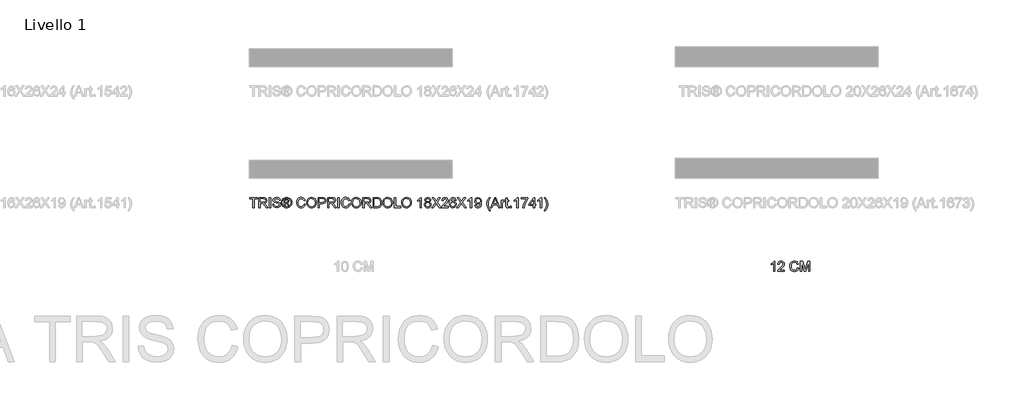
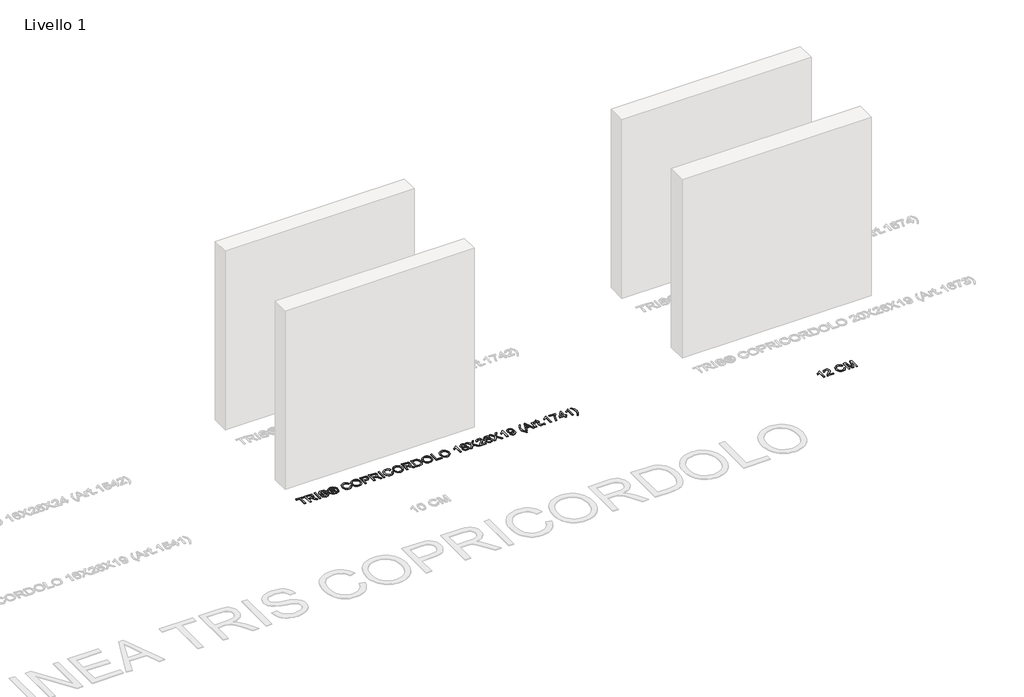
# One storey, part 5 of 19: 2 proxies.
"""IFC4 building model written with IfcOpenShell, lengths in millimetres."""

from ifc_helpers import new_model, si_unit, origin, origin_with_axes, place, context, project, spatial, polyline, outline, extrude, element, save

model = new_model("IFC4")

# Units and contexts
model_context = context("Model", 3, world=origin())
ifc_project = project(units=[si_unit("LENGTHUNIT", "METRE", prefix="MILLI")], contexts=[model_context])

# Site, building, storey
site = spatial("IfcSite", under=ifc_project)
building = spatial("IfcBuilding", under=site)
storey = spatial("IfcBuildingStorey", under=building, Name="Livello 1", Elevation=0.0)

# Proxies
placement = place(None, origin())
element("IfcBuildingElementProxy", 1, Name="100", ObjectType="100", at=placement, inside=storey, context=model_context, shape_type="SweptSolid", body=[
    extrude(outline(polyline([(4045.4246884, -4783.9348646), (4032.8676497, -4783.9348646), (4032.8676497, -4705.649576), (4020.9727985, -4714.1231247), (4007.7535721, -4720.4629577), (4007.7535721, -4708.592632), (4026.1599346, -4696.8449336), (4037.3312845, -4683.4785545), (4045.4246884, -4683.4785545), (4045.4246884, -4783.9348646)])), origin_with_axes(), (0.0, 0.0, 1.0), 5.0),
    extrude(outline(polyline([(4139.6024792, -4771.3778258), (4139.6024792, -4783.9348646), (4073.6780257, -4783.9348646), (4075.0269263, -4775.277375), (4082.6543463, -4761.947784), (4098.3751703, -4747.3919198), (4120.0556825, -4726.471697), (4125.4758106, -4712.2469265), (4120.3622509, -4700.73222), (4107.0081344, -4696.0355932), (4093.0899323, -4700.6218554), (4087.8046943, -4713.3015215), (4075.2476555, -4711.7318917), (4078.291879, -4699.5856545), (4084.8739011, -4690.713567), (4094.6503651, -4685.2873076), (4107.2779146, -4683.4785545), (4119.9974345, -4685.4896427), (4129.7555045, -4691.5229074), (4135.9635131, -4700.5360163), (4138.0328494, -4711.486637), (4135.8010319, -4723.3937509), (4128.3820783, -4735.705535), (4110.3926488, -4752.9101497), (4095.9471491, -4764.9889419), (4090.2817664, -4771.3778258), (4139.6024792, -4771.3778258)])), origin_with_axes(), (0.0, 0.0, 1.0), 5.0),
    extrude(outline(polyline([(4266.7424967, -4748.2257856), (4279.2995355, -4751.4631472), (4273.5053941, -4766.0956535), (4264.4125774, -4776.7856912), (4252.4686753, -4783.3247936), (4238.1212775, -4785.5044945), (4223.5562162, -4783.8551568), (4211.9893931, -4778.907144), (4203.123437, -4770.8321342), (4196.6609767, -4759.8018057), (4191.4002641, -4732.9464201), (4192.8871205, -4718.2985853), (4197.3476897, -4705.649576), (4204.5489798, -4695.4009968), (4214.2579988, -4687.9544521), (4225.7727052, -4683.4203065), (4238.3910576, -4681.9089246), (4252.1590413, -4683.8648306), (4263.5419234, -4689.7325484), (4272.1840846, -4699.1503275), (4277.7299057, -4711.7564172), (4265.1728669, -4714.7485241), (4254.872171, -4699.309743), (4237.9005483, -4694.4659634), (4218.2556498, -4699.8370405), (4207.1578762, -4714.2580147), (4203.9573029, -4732.9218946), (4207.7464874, -4754.5533559), (4219.5432368, -4768.3734562), (4236.8704787, -4772.9474557), (4247.3520499, -4771.3900886), (4256.0861816, -4766.7179872), (4262.6804664, -4758.9802026), (4266.7424967, -4748.2257856)])), origin_with_axes(), (0.0, 0.0, 1.0), 5.0),
    extrude(outline(polyline([(4296.5654638, -4783.9348646), (4296.5654638, -4683.4785545), (4318.1723997, -4683.4785545), (4338.7247405, -4754.2835758), (4342.8695443, -4769.072432), (4347.3577046, -4753.0573025), (4367.5666889, -4683.4785545), (4389.1736247, -4683.4785545), (4389.1736247, -4783.9348646), (4376.616586, -4783.9348646), (4376.616586, -4696.0355932), (4351.3798811, -4783.9348646), (4334.3592074, -4783.9348646), (4309.1225026, -4696.0355932), (4309.1225026, -4783.9348646), (4296.5654638, -4783.9348646)])), origin_with_axes(), (0.0, 0.0, 1.0), 5.0),
])
element("IfcBuildingElementProxy", 2, Name="100", ObjectType="100", at=placement, inside=storey, context=model_context, shape_type="SweptSolid", body=[
    extrude(outline(polyline([(-1098.4773916, -4156.1057849), (-1098.4773916, -4068.2065135), (-1131.4396184, -4068.2065135), (-1131.4396184, -4055.6494748), (-1052.9581261, -4055.6494748), (-1052.9581261, -4068.2065135), (-1085.9203528, -4068.2065135), (-1085.9203528, -4156.1057849), (-1098.4773916, -4156.1057849)])), origin_with_axes(), (0.0, 0.0, 1.0), 5.0),
    extrude(outline(polyline([(-1038.8314575, -4156.1057849), (-1038.8314575, -4055.6494748), (-995.5440094, -4055.6494748), (-975.4453897, -4058.3595388), (-964.4579808, -4067.9489961), (-960.3499652, -4083.1425225), (-962.0514194, -4093.0385482), (-967.1557821, -4101.2423167), (-975.8163374, -4107.2571873), (-988.1863695, -4110.5865194), (-981.0494587, -4115.9575965), (-970.8713902, -4128.8825173), (-954.1204967, -4156.1057849), (-968.7131492, -4156.1057849), (-981.7852227, -4135.283664), (-991.2275273, -4121.5003519), (-997.8616659, -4114.9888406), (-1003.833617, -4112.5976076), (-1011.1176805, -4112.1561492), (-1026.2744187, -4112.1561492), (-1026.2744187, -4156.1057849), (-1038.8314575, -4156.1057849)]), holes=[polyline([(-1026.2744187, -4099.5991105), (-998.1682343, -4099.5991105), (-983.8330992, -4097.8210142), (-975.6906444, -4092.131106), (-972.9070039, -4083.6085064), (-978.2167674, -4072.5475211), (-995.0044491, -4068.2065135), (-1026.2744187, -4068.2065135), (-1026.2744187, -4099.5991105)])]), origin_with_axes(), (0.0, 0.0, 1.0), 5.0),
    extrude(outline(polyline([(-936.8055175, -4156.1057849), (-936.8055175, -4055.6494748), (-924.2484787, -4055.6494748), (-924.2484787, -4156.1057849), (-936.8055175, -4156.1057849)])), origin_with_axes(), (0.0, 0.0, 1.0), 5.0),
    extrude(outline(polyline([(-903.8432907, -4121.5739283), (-891.2862519, -4121.5739283), (-887.23955, -4134.1432298), (-877.355787, -4142.0894809), (-862.2971507, -4145.118376), (-849.1760262, -4142.8252449), (-840.7024776, -4136.5222), (-837.9188372, -4128.0977024), (-840.0035018, -4120.2618159), (-848.5383641, -4114.5596449), (-866.8220992, -4109.7649163), (-886.503786, -4103.572236), (-897.1846266, -4094.2280333), (-900.704031, -4081.744571), (-896.3507607, -4067.5320632), (-883.6343064, -4057.5011475), (-865.0194775, -4054.0798449), (-845.1538497, -4057.660563), (-831.9100979, -4068.1819881), (-826.9314282, -4083.902812), (-839.488467, -4083.902812), (-841.7938608, -4076.410282), (-846.6008522, -4071.0024167), (-864.5289681, -4066.6368837), (-882.506135, -4070.9533658), (-888.1469922, -4081.376689), (-884.1493412, -4090.0832295), (-863.6460514, -4097.0975129), (-841.4259788, -4103.4005578), (-829.2736103, -4113.5786263), (-825.3617984, -4127.7788713), (-829.8622215, -4142.8007194), (-842.8116677, -4153.7636029), (-861.8066414, -4157.6754148), (-884.2351804, -4153.4570346), (-898.4231626, -4140.752843), (-903.8432907, -4121.5739283)])), origin_with_axes(), (0.0, 0.0, 1.0), 5.0),
    extrude(outline(polyline([(-789.2603119, -4137.2702268), (-789.2603119, -4074.4850329), (-768.9777513, -4074.4850329), (-753.9191149, -4076.2140783), (-746.5001614, -4082.247343), (-743.7410464, -4091.4076047), (-748.4989869, -4103.3269814), (-761.1050766, -4109.0168895), (-756.1999833, -4112.352353), (-747.6405955, -4124.8848663), (-740.6017867, -4137.2702268), (-751.1967882, -4137.2702268), (-756.7150181, -4127.3128874), (-765.9611189, -4112.8919132), (-773.9809464, -4110.5865194), (-779.8425329, -4110.5865194), (-779.8425329, -4137.2702268), (-789.2603119, -4137.2702268)]), holes=[polyline([(-779.8425329, -4101.1687403), (-767.9231562, -4101.1687403), (-756.2735597, -4098.7775073), (-753.1588255, -4092.4376743), (-754.6548789, -4087.8759376), (-758.8119455, -4084.8838307), (-768.6834457, -4083.902812), (-779.8425329, -4083.902812), (-779.8425329, -4101.1687403)])]), origin_with_axes(), (0.0, 0.0, 1.0), 5.0),
    extrude(outline(polyline([(-765.6913388, -4054.0798449), (-752.7970748, -4055.753708), (-740.2093792, -4060.7752972), (-729.1514596, -4068.9116207), (-720.8465236, -4079.9296865), (-715.6501904, -4092.6522721), (-713.9180793, -4105.9021553), (-715.6256649, -4119.0355425), (-720.7484217, -4131.653895), (-728.9521902, -4142.6321069), (-739.9028109, -4150.8450724), (-752.5119663, -4155.9678292), (-765.6913388, -4157.6754148), (-778.8523171, -4155.9678292), (-791.4553412, -4150.8450724), (-802.4151589, -4142.6321069), (-810.6465186, -4131.653895), (-815.7968665, -4119.0355425), (-817.5136492, -4105.9021553), (-815.772341, -4092.6522721), (-810.5484167, -4079.9296865), (-802.2158895, -4068.9116207), (-791.1487728, -4060.7752972), (-778.5672086, -4055.753708), (-765.6913388, -4054.0798449)]), holes=[polyline([(-765.6913388, -4063.497624), (-786.5134597, -4068.9790657), (-795.541897, -4075.6407955), (-802.3691737, -4084.6631015), (-808.0958701, -4105.9021553), (-802.4795383, -4126.9572682), (-786.7587144, -4142.6413039), (-765.6913388, -4148.2576357), (-744.6117004, -4142.6413039), (-728.9276647, -4126.9572682), (-723.3358584, -4105.9021553), (-729.0257666, -4084.6631015), (-735.8346492, -4075.6407955), (-744.8814806, -4068.9790657), (-765.6913388, -4063.497624)])]), origin_with_axes(), (0.0, 0.0, 1.0), 5.0),
    extrude(outline(polyline([(-593.0565812, -4120.3967059), (-580.4995424, -4123.6340675), (-586.2936838, -4138.2665738), (-595.3865005, -4148.9566115), (-607.3304026, -4155.495714), (-621.6778004, -4157.6754148), (-636.2428617, -4156.0260772), (-647.8096848, -4151.0780643), (-656.6756409, -4143.0030545), (-663.1381012, -4131.972726), (-668.3988138, -4105.1173404), (-666.9119574, -4090.4695056), (-662.4513882, -4077.8204964), (-655.2500981, -4067.5719171), (-645.5410791, -4060.1253724), (-634.0263727, -4055.5912268), (-621.4080203, -4054.0798449), (-607.6400366, -4056.0357509), (-596.2571545, -4061.9034687), (-587.6149933, -4071.3212478), (-582.0691722, -4083.9273375), (-594.626211, -4086.9194444), (-604.9269069, -4071.4806633), (-621.8985296, -4066.6368837), (-641.5434281, -4072.0079608), (-652.6412017, -4086.428935), (-655.841775, -4105.0928149), (-652.0525905, -4126.7242762), (-640.2558411, -4140.5443765), (-622.9285992, -4145.118376), (-612.447028, -4143.5610089), (-603.7128963, -4138.8889076), (-597.1186115, -4131.1511229), (-593.0565812, -4120.3967059)])), origin_with_axes(), (0.0, 0.0, 1.0), 5.0),
    extrude(outline(polyline([(-567.9425036, -4107.202005), (-564.5947775, -4084.9880639), (-554.551599, -4068.1819881), (-539.2170512, -4057.6053807), (-519.9952169, -4054.0798449), (-506.8189101, -4055.7353139), (-495.0037667, -4060.7017208), (-485.1935802, -4068.6295778), (-478.032144, -4079.169397), (-473.6543483, -4091.8122749), (-472.195083, -4106.0493081), (-473.7309903, -4120.4764137), (-478.3387123, -4133.2971012), (-485.7637973, -4143.8553145), (-495.7517934, -4151.4949973), (-507.4657693, -4156.1303104), (-520.0687933, -4157.6754148), (-533.4474352, -4155.9678292), (-545.3300237, -4150.8450724), (-555.1156847, -4142.7700626), (-562.2035445, -4132.205718), (-567.9425036, -4107.202005)]), holes=[polyline([(-555.3854649, -4107.3246324), (-552.8746702, -4123.0393249), (-545.3422864, -4135.0138839), (-534.020718, -4142.592253), (-520.1423697, -4145.118376), (-506.0616864, -4142.5677275), (-494.7217239, -4134.915782), (-487.2445223, -4122.5733411), (-484.7521218, -4105.9512062), (-489.0195529, -4085.2271872), (-501.4907526, -4071.5051888), (-519.9216405, -4066.6368837), (-533.4290411, -4068.9821314), (-544.9130907, -4076.0178746), (-552.7673713, -4088.5350595), (-555.3854649, -4107.3246324)])]), origin_with_axes(), (0.0, 0.0, 1.0), 5.0),
    extrude(outline(polyline([(-454.9291547, -4156.1057849), (-454.9291547, -4055.6494748), (-417.6994968, -4055.6494748), (-402.6899114, -4056.605968), (-390.4884919, -4061.3025948), (-382.579029, -4071.0146794), (-379.5869221, -4084.7121524), (-381.6072074, -4096.5518213), (-387.6680633, -4106.4171901), (-399.0018944, -4113.0758542), (-416.8411055, -4115.2954089), (-442.3721159, -4115.2954089), (-442.3721159, -4156.1057849), (-454.9291547, -4156.1057849)]), holes=[polyline([(-442.3721159, -4102.7383702), (-416.1053415, -4102.7383702), (-397.6131399, -4098.1275825), (-393.5112556, -4092.5786957), (-392.1439609, -4085.1536108), (-395.3690597, -4074.7548131), (-403.8426083, -4069.0649049), (-416.3996471, -4068.2065135), (-442.3721159, -4068.2065135), (-442.3721159, -4102.7383702)])]), origin_with_axes(), (0.0, 0.0, 1.0), 5.0),
    extrude(outline(polyline([(-362.3209938, -4156.1057849), (-362.3209938, -4055.6494748), (-319.0335457, -4055.6494748), (-298.934926, -4058.3595388), (-287.9475171, -4067.9489961), (-283.8395015, -4083.1425225), (-285.5409557, -4093.0385482), (-290.6453184, -4101.2423167), (-299.3058737, -4107.2571873), (-311.6759058, -4110.5865194), (-304.5389951, -4115.9575965), (-294.3609266, -4128.8825173), (-277.610033, -4156.1057849), (-292.2026855, -4156.1057849), (-305.2747591, -4135.283664), (-314.7170636, -4121.5003519), (-321.3512023, -4114.9888406), (-327.3231533, -4112.5976076), (-334.6072168, -4112.1561492), (-349.763955, -4112.1561492), (-349.763955, -4156.1057849), (-362.3209938, -4156.1057849)]), holes=[polyline([(-349.763955, -4099.5991105), (-321.6577706, -4099.5991105), (-307.3226355, -4097.8210142), (-299.1801807, -4092.131106), (-296.3965403, -4083.6085064), (-301.7063037, -4072.5475211), (-318.4939854, -4068.2065135), (-349.763955, -4068.2065135), (-349.763955, -4099.5991105)])]), origin_with_axes(), (0.0, 0.0, 1.0), 5.0),
    extrude(outline(polyline([(-260.2950538, -4156.1057849), (-260.2950538, -4055.6494748), (-247.738015, -4055.6494748), (-247.738015, -4156.1057849), (-260.2950538, -4156.1057849)])), origin_with_axes(), (0.0, 0.0, 1.0), 5.0),
    extrude(outline(polyline([(-151.9905944, -4120.3967059), (-139.4335556, -4123.6340675), (-145.2276971, -4138.2665738), (-154.3205137, -4148.9566115), (-166.2644158, -4155.495714), (-180.6118136, -4157.6754148), (-195.176875, -4156.0260772), (-206.743698, -4151.0780643), (-215.6096541, -4143.0030545), (-222.0721145, -4131.972726), (-227.332827, -4105.1173404), (-225.8459706, -4090.4695056), (-221.3854014, -4077.8204964), (-214.1841114, -4067.5719171), (-204.4750924, -4060.1253724), (-192.9603859, -4055.5912268), (-180.3420335, -4054.0798449), (-166.5740498, -4056.0357509), (-155.1911678, -4061.9034687), (-146.5490066, -4071.3212478), (-141.0031855, -4083.9273375), (-153.5602243, -4086.9194444), (-163.8609201, -4071.4806633), (-180.8325428, -4066.6368837), (-200.4774414, -4072.0079608), (-211.5752149, -4086.428935), (-214.7757883, -4105.0928149), (-210.9866037, -4126.7242762), (-199.1898544, -4140.5443765), (-181.8626124, -4145.118376), (-171.3810412, -4143.5610089), (-162.6469095, -4138.8889076), (-156.0526248, -4131.1511229), (-151.9905944, -4120.3967059)])), origin_with_axes(), (0.0, 0.0, 1.0), 5.0),
    extrude(outline(polyline([(-126.8765169, -4107.202005), (-123.5287907, -4084.9880639), (-113.4856123, -4068.1819881), (-98.1510644, -4057.6053807), (-78.9292302, -4054.0798449), (-65.7529234, -4055.7353139), (-53.93778, -4060.7017208), (-44.1275934, -4068.6295778), (-36.9661573, -4079.169397), (-32.5883615, -4091.8122749), (-31.1290963, -4106.0493081), (-32.6650036, -4120.4764137), (-37.2727256, -4133.2971012), (-44.6978105, -4143.8553145), (-54.6858067, -4151.4949973), (-66.3997826, -4156.1303104), (-79.0028066, -4157.6754148), (-92.3814485, -4155.9678292), (-104.2640369, -4150.8450724), (-114.049698, -4142.7700626), (-121.1375578, -4132.205718), (-126.8765169, -4107.202005)]), holes=[polyline([(-114.3194781, -4107.3246324), (-111.8086835, -4123.0393249), (-104.2762996, -4135.0138839), (-92.9547312, -4142.592253), (-79.076383, -4145.118376), (-64.9956996, -4142.5677275), (-53.6557371, -4134.915782), (-46.1785356, -4122.5733411), (-43.686135, -4105.9512062), (-47.9535662, -4085.2271872), (-60.4247658, -4071.5051888), (-78.8556538, -4066.6368837), (-92.3630544, -4068.9821314), (-103.847104, -4076.0178746), (-111.7013846, -4088.5350595), (-114.3194781, -4107.3246324)])]), origin_with_axes(), (0.0, 0.0, 1.0), 5.0),
    extrude(outline(polyline([(-13.863168, -4156.1057849), (-13.863168, -4055.6494748), (29.4242801, -4055.6494748), (49.5228998, -4058.3595388), (60.5103087, -4067.9489961), (64.6183243, -4083.1425225), (62.9168701, -4093.0385482), (57.8125074, -4101.2423167), (49.1519521, -4107.2571873), (36.78192, -4110.5865194), (43.9188307, -4115.9575965), (54.0968993, -4128.8825173), (70.8477928, -4156.1057849), (56.2551403, -4156.1057849), (43.1830668, -4135.283664), (33.7407622, -4121.5003519), (27.1066236, -4114.9888406), (21.1346725, -4112.5976076), (13.850609, -4112.1561492), (-1.3061292, -4112.1561492), (-1.3061292, -4156.1057849), (-13.863168, -4156.1057849)]), holes=[polyline([(-1.3061292, -4099.5991105), (26.8000552, -4099.5991105), (41.1351903, -4097.8210142), (49.2776451, -4092.131106), (52.0612856, -4083.6085064), (46.7515221, -4072.5475211), (29.9638404, -4068.2065135), (-1.3061292, -4068.2065135), (-1.3061292, -4099.5991105)])]), origin_with_axes(), (0.0, 0.0, 1.0), 5.0),
    extrude(outline(polyline([(86.5931422, -4156.1057849), (86.5931422, -4055.6494748), (121.2476261, -4055.6494748), (139.175742, -4057.0964773), (153.9400728, -4064.2824389), (165.8349239, -4081.4502654), (169.783524, -4105.3380696), (167.1102482, -4125.6083675), (160.2431176, -4140.2378082), (151.0705932, -4149.3490189), (139.0653774, -4154.3890023), (122.9153578, -4156.1057849), (86.5931422, -4156.1057849)]), holes=[polyline([(99.150181, -4143.5487462), (121.3702535, -4143.5487462), (137.5325358, -4141.7338616), (146.852213, -4136.6080392), (154.4918958, -4124.1368395), (157.2264853, -4105.1418659), (155.8867817, -4091.4566556), (151.8676709, -4081.3521635), (138.8323855, -4070.2176018), (121.0268969, -4068.2065135), (99.150181, -4068.2065135), (99.150181, -4143.5487462)])]), origin_with_axes(), (0.0, 0.0, 1.0), 5.0),
    extrude(outline(polyline([(182.3405628, -4107.202005), (185.688289, -4084.9880639), (195.7314674, -4068.1819881), (211.0660153, -4057.6053807), (230.2878495, -4054.0798449), (243.4641563, -4055.7353139), (255.2792997, -4060.7017208), (265.0894862, -4068.6295778), (272.2509224, -4079.169397), (276.6287182, -4091.8122749), (278.0879834, -4106.0493081), (276.5520761, -4120.4764137), (271.9443541, -4133.2971012), (264.5192692, -4143.8553145), (254.531273, -4151.4949973), (242.8172971, -4156.1303104), (230.2142731, -4157.6754148), (216.8356312, -4155.9678292), (204.9530428, -4150.8450724), (195.1673817, -4142.7700626), (188.0795219, -4132.205718), (182.3405628, -4107.202005)]), holes=[polyline([(194.8976016, -4107.3246324), (197.4083962, -4123.0393249), (204.94078, -4135.0138839), (216.2623484, -4142.592253), (230.1406967, -4145.118376), (244.2213801, -4142.5677275), (255.5613426, -4134.915782), (263.0385441, -4122.5733411), (265.5309446, -4105.9512062), (261.2635135, -4085.2271872), (248.7923139, -4071.5051888), (230.3614259, -4066.6368837), (216.8540253, -4068.9821314), (205.3699757, -4076.0178746), (197.5156951, -4088.5350595), (194.8976016, -4107.3246324)])]), origin_with_axes(), (0.0, 0.0, 1.0), 5.0),
    extrude(outline(polyline([(295.3539117, -4156.1057849), (295.3539117, -4055.6494748), (307.9109505, -4055.6494748), (307.9109505, -4143.5487462), (358.1391056, -4143.5487462), (358.1391056, -4156.1057849), (295.3539117, -4156.1057849)])), origin_with_axes(), (0.0, 0.0, 1.0), 5.0),
    extrude(outline(polyline([(367.5568846, -4107.202005), (370.9046108, -4084.9880639), (380.9477893, -4068.1819881), (396.2823371, -4057.6053807), (415.5041713, -4054.0798449), (428.6804781, -4055.7353139), (440.4956215, -4060.7017208), (450.3058081, -4068.6295778), (457.4672443, -4079.169397), (461.84504, -4091.8122749), (463.3043052, -4106.0493081), (461.7683979, -4120.4764137), (457.1606759, -4133.2971012), (449.735591, -4143.8553145), (439.7475948, -4151.4949973), (428.033619, -4156.1303104), (415.4305949, -4157.6754148), (402.0519531, -4155.9678292), (390.1693646, -4150.8450724), (380.3837035, -4142.7700626), (373.2958438, -4132.205718), (367.5568846, -4107.202005)]), holes=[polyline([(380.1139234, -4107.3246324), (382.624718, -4123.0393249), (390.1571019, -4135.0138839), (401.4786703, -4142.592253), (415.3570185, -4145.118376), (429.4377019, -4142.5677275), (440.7776644, -4134.915782), (448.254866, -4122.5733411), (450.7472665, -4105.9512062), (446.4798353, -4085.2271872), (434.0086357, -4071.5051888), (415.5777477, -4066.6368837), (402.0703472, -4068.9821314), (390.5862975, -4076.0178746), (382.7320169, -4088.5350595), (380.1139234, -4107.3246324)])]), origin_with_axes(), (0.0, 0.0, 1.0), 5.0),
    extrude(outline(polyline([(562.1909856, -4156.1057849), (549.6339468, -4156.1057849), (549.6339468, -4077.8204964), (537.7390956, -4086.294045), (524.5198692, -4092.633878), (524.5198692, -4080.7635523), (542.9262317, -4069.0158539), (554.0975817, -4055.6494748), (562.1909856, -4055.6494748), (562.1909856, -4156.1057849)])), origin_with_axes(), (0.0, 0.0, 1.0), 5.0),
    extrude(outline(polyline([(610.3099505, -4100.7763329), (598.8688205, -4092.9772346), (595.1532123, -4080.8371287), (597.1765633, -4071.0208108), (603.2466162, -4062.9090128), (612.6827894, -4057.4643593), (624.8045011, -4055.6494748), (636.9997893, -4057.5072789), (646.5585898, -4063.0806911), (652.7390073, -4071.3212478), (654.7991465, -4081.1804852), (651.1325893, -4093.0140228), (640.0102903, -4100.7763329), (653.3644067, -4110.6233076), (657.9384062, -4126.871429), (655.6698005, -4138.8766448), (648.8639836, -4148.797196), (638.3548213, -4155.4558601), (624.9761794, -4157.6754148), (611.5975375, -4155.446663), (601.0883752, -4148.7604078), (594.2825583, -4138.7448204), (592.0139526, -4126.5280725), (596.7718931, -4109.8998063), (610.3099505, -4100.7763329)]), holes=[polyline([(607.7102511, -4081.2050107), (612.1616232, -4091.0642482), (625.1233322, -4094.8902209), (637.8275238, -4091.0887736), (642.2421077, -4081.7690964), (637.680371, -4072.1183254), (624.9761794, -4068.2065135), (612.2351996, -4072.0324863), (607.7102511, -4081.2050107)]), polyline([(604.5709914, -4126.0866141), (606.6679188, -4135.5411814), (614.0868723, -4142.6167784), (625.0742813, -4145.118376), (633.6214063, -4143.8031979), (640.0348157, -4139.8576635), (645.3813674, -4126.4790216), (639.8631375, -4112.8428623), (633.3025752, -4108.7961603), (624.6573483, -4107.4472597), (616.229785, -4108.7777662), (609.8807549, -4112.7692859), (604.5709914, -4126.0866141)])]), origin_with_axes(), (0.0, 0.0, 1.0), 5.0),
    extrude(outline(polyline([(662.6472957, -4156.1057849), (701.3730071, -4101.364944), (668.9258151, -4055.6494748), (683.9844514, -4055.6494748), (702.2559238, -4081.376689), (708.4118159, -4091.4076047), (715.622303, -4081.2050107), (733.6975717, -4055.6494748), (748.9769372, -4055.6494748), (716.5297453, -4101.5120968), (755.2554566, -4156.1057849), (740.1968203, -4156.1057849), (714.3960297, -4119.7099929), (709.0249526, -4112.1561492), (703.1143152, -4120.4457569), (677.9266612, -4156.1057849), (662.6472957, -4156.1057849)])), origin_with_axes(), (0.0, 0.0, 1.0), 5.0),
    extrude(outline(polyline([(827.4584295, -4143.5487462), (827.4584295, -4156.1057849), (761.533976, -4156.1057849), (762.8828767, -4147.4482953), (770.5102967, -4134.1187043), (786.2311206, -4119.5628401), (807.9116329, -4098.6426173), (813.3317609, -4084.4178468), (808.2182012, -4072.9031403), (794.8640848, -4068.2065135), (780.9458826, -4072.7927758), (775.6606446, -4085.4724419), (763.1036059, -4083.902812), (766.1478294, -4071.7565748), (772.7298514, -4062.8844873), (782.5063154, -4057.4582279), (795.1338649, -4055.6494748), (807.8533849, -4057.660563), (817.6114548, -4063.6938277), (823.8194635, -4072.7069366), (825.8887997, -4083.6575573), (823.6569823, -4095.5646713), (816.2380287, -4107.8764554), (798.2485991, -4125.08107), (783.8030994, -4137.1598622), (778.1377167, -4143.5487462), (827.4584295, -4143.5487462)])), origin_with_axes(), (0.0, 0.0, 1.0), 5.0),
    extrude(outline(polyline([(904.370292, -4082.3331822), (891.8132532, -4083.902812), (887.0553128, -4073.4304379), (874.4737485, -4068.2065135), (863.1429831, -4071.2476714), (854.5713326, -4082.664276), (851.0028772, -4105.043764), (862.0761253, -4095.025111), (875.7981237, -4091.7509612), (887.3986693, -4093.98891), (897.1352794, -4100.7027565), (903.7387612, -4110.9605328), (905.9399218, -4123.8302712), (901.795118, -4141.1575132), (890.3907762, -4153.4202464), (873.9341883, -4157.6754148), (859.687958, -4154.8549861), (848.3418641, -4146.3937003), (840.9198449, -4131.4576912), (838.4458385, -4109.2130933), (841.1926907, -4084.203249), (849.4332474, -4067.1028676), (860.6843051, -4058.512823), (875.2585634, -4055.6494748), (886.2766292, -4057.4214397), (895.0996657, -4062.7373345), (901.2800832, -4071.1802263), (904.370292, -4082.3331822)]), holes=[polyline([(851.0028772, -4123.6340675), (853.909145, -4134.5111118), (861.6346669, -4142.408312), (872.9531696, -4145.118376), (881.2397116, -4143.7142931), (887.7542886, -4139.5020442), (891.9757344, -4132.8801683), (893.3828831, -4124.2472041), (891.9941285, -4115.9606622), (887.8278649, -4109.6422889), (881.2029234, -4105.6415722), (872.4381348, -4104.308), (857.2446084, -4109.6422889), (852.56331, -4115.807378), (851.0028772, -4123.6340675)])]), origin_with_axes(), (0.0, 0.0, 1.0), 5.0),
    extrude(outline(polyline([(910.6488114, -4156.1057849), (949.3745227, -4101.364944), (916.9273308, -4055.6494748), (931.9859671, -4055.6494748), (950.2574395, -4081.376689), (956.4133316, -4091.4076047), (963.6238187, -4081.2050107), (981.6990874, -4055.6494748), (996.9784529, -4055.6494748), (964.5312609, -4101.5120968), (1003.2569723, -4156.1057849), (988.198336, -4156.1057849), (962.3975454, -4119.7099929), (957.0264682, -4112.1561492), (951.1158309, -4120.4457569), (925.9281769, -4156.1057849), (910.6488114, -4156.1057849)])), origin_with_axes(), (0.0, 0.0, 1.0), 5.0),
    extrude(outline(polyline([(1058.1940169, -4156.1057849), (1045.6369781, -4156.1057849), (1045.6369781, -4077.8204964), (1033.742127, -4086.294045), (1020.5229006, -4092.633878), (1020.5229006, -4080.7635523), (1038.9292631, -4069.0158539), (1050.100613, -4055.6494748), (1058.1940169, -4055.6494748), (1058.1940169, -4156.1057849)])), origin_with_axes(), (0.0, 0.0, 1.0), 5.0),
    extrude(outline(polyline([(1089.5866138, -4130.9917074), (1102.1436526, -4129.4220775), (1107.7845099, -4141.4027679), (1118.4776132, -4145.118376), (1128.643419, -4142.727143), (1135.535075, -4136.3382591), (1139.6430906, -4125.4244265), (1141.4579752, -4110.8562995), (1141.3843988, -4108.4037529), (1131.3412203, -4117.9196338), (1117.5701709, -4121.5739283), (1106.1198438, -4119.3421109), (1096.5886345, -4112.6466586), (1090.1598966, -4102.3030431), (1088.016984, -4089.1267363), (1090.2641298, -4075.5151025), (1097.0055674, -4064.8465247), (1107.1315193, -4057.9487372), (1119.5322082, -4055.6494748), (1137.4235359, -4060.8979246), (1149.73532, -4075.858459), (1153.9414375, -4103.9646435), (1149.7475828, -4134.4620609), (1144.5328555, -4144.4531227), (1137.2763831, -4151.7402519), (1128.2908654, -4156.1916241), (1117.889002, -4157.6754148), (1107.1529791, -4155.9249096), (1098.58746, -4150.6733941), (1092.5971148, -4142.2519621), (1089.5866138, -4130.9917074)]), holes=[polyline([(1141.3843988, -4088.8324307), (1140.0293667, -4080.3220939), (1135.9642707, -4073.7737944), (1129.6550945, -4069.5983338), (1121.567822, -4068.2065135), (1113.1801125, -4069.7056327), (1106.4601347, -4074.2029901), (1102.0455507, -4081.0854491), (1100.5740228, -4089.739873), (1101.965843, -4097.4991174), (1106.1413036, -4103.6580751), (1112.6957345, -4107.6771859), (1121.2244654, -4109.0168895), (1135.7067533, -4103.6580751), (1139.9649874, -4097.2722568), (1141.3843988, -4088.8324307)])]), origin_with_axes(), (0.0, 0.0, 1.0), 5.0),
    extrude(outline(polyline([(1232.4229298, -4184.3591222), (1214.5929158, -4154.9040371), (1209.1298682, -4137.7239479), (1207.3088523, -4119.9307221), (1212.7535058, -4089.3965165), (1232.4229298, -4055.6494748), (1241.8407089, -4055.6494748), (1230.0930105, -4075.539628), (1223.0296762, -4094.8166445), (1219.8658911, -4120.0042985), (1225.3595955, -4152.193973), (1241.8407089, -4184.3591222), (1232.4229298, -4184.3591222)])), origin_with_axes(), (0.0, 0.0, 1.0), 5.0),
    extrude(outline(polyline([(1244.2687301, -4156.1057849), (1284.3678676, -4055.6494748), (1295.0609709, -4055.6494748), (1335.1601084, -4156.1057849), (1321.8918311, -4156.1057849), (1310.3893873, -4124.713188), (1269.0149256, -4124.713188), (1257.5370074, -4156.1057849), (1244.2687301, -4156.1057849)]), holes=[polyline([(1273.6257133, -4112.1561492), (1305.8031251, -4112.1561492), (1296.7532281, -4087.4590046), (1289.7144192, -4068.2065135), (1283.4604253, -4085.3007636), (1273.6257133, -4112.1561492)])]), origin_with_axes(), (0.0, 0.0, 1.0), 5.0),
    extrude(outline(polyline([(1347.0059086, -4156.1057849), (1347.0059086, -4082.3331822), (1357.9933175, -4082.3331822), (1357.9933175, -4093.2470147), (1365.7924158, -4083.1915735), (1373.640565, -4080.7635523), (1386.2466547, -4084.638576), (1382.0528, -4095.895765), (1373.2236321, -4093.3205911), (1366.1235096, -4095.7976632), (1361.5985611, -4102.6647938), (1359.5629474, -4117.3310226), (1359.5629474, -4156.1057849), (1347.0059086, -4156.1057849)])), origin_with_axes(), (0.0, 0.0, 1.0), 5.0),
    extrude(outline(polyline([(1420.7785114, -4145.6334108), (1422.3481412, -4156.4736669), (1412.9548876, -4157.6754148), (1402.4334625, -4155.5907501), (1397.1850127, -4150.1215711), (1395.6644338, -4135.8722752), (1395.6644338, -4094.8902209), (1386.2466547, -4094.8902209), (1386.2466547, -4082.3331822), (1395.6644338, -4082.3331822), (1395.6644338, -4064.4050663), (1408.2214726, -4057.0229009), (1408.2214726, -4082.3331822), (1420.7785114, -4082.3331822), (1420.7785114, -4094.8902209), (1408.2214726, -4094.8902209), (1408.2214726, -4135.5043932), (1408.8836602, -4141.9791163), (1411.0296385, -4144.2722474), (1415.3093324, -4145.118376), (1420.7785114, -4145.6334108)])), origin_with_axes(), (0.0, 0.0, 1.0), 5.0),
    extrude(outline(polyline([(1436.4748098, -4156.1057849), (1436.4748098, -4143.5487462), (1449.0318486, -4143.5487462), (1449.0318486, -4156.1057849), (1436.4748098, -4156.1057849)])), origin_with_axes(), (0.0, 0.0, 1.0), 5.0),
    extrude(outline(polyline([(1516.525932, -4156.1057849), (1503.9688932, -4156.1057849), (1503.9688932, -4077.8204964), (1492.074042, -4086.294045), (1478.8548157, -4092.633878), (1478.8548157, -4080.7635523), (1497.2611782, -4069.0158539), (1508.4325281, -4055.6494748), (1516.525932, -4055.6494748), (1516.525932, -4156.1057849)])), origin_with_axes(), (0.0, 0.0, 1.0), 5.0),
    extrude(outline(polyline([(1546.348899, -4069.7761434), (1546.348899, -4057.2191046), (1612.2733526, -4057.2191046), (1612.2733526, -4067.3726477), (1593.5726845, -4094.3874489), (1579.2620749, -4128.8089409), (1574.6022363, -4156.1057849), (1562.0451975, -4156.1057849), (1567.0361299, -4127.7788713), (1580.7336029, -4095.760875), (1599.7163138, -4069.7761434), (1546.348899, -4069.7761434)])), origin_with_axes(), (0.0, 0.0, 1.0), 5.0),
    extrude(outline(polyline([(1664.0711375, -4156.1057849), (1664.0711375, -4132.5613372), (1618.551872, -4132.5613372), (1618.551872, -4120.0042985), (1667.2103972, -4057.2191046), (1676.6281763, -4057.2191046), (1676.6281763, -4120.0042985), (1689.185215, -4120.0042985), (1689.185215, -4132.5613372), (1676.6281763, -4132.5613372), (1676.6281763, -4156.1057849), (1664.0711375, -4156.1057849)]), holes=[polyline([(1664.0711375, -4120.0042985), (1664.0711375, -4081.2050107), (1634.0029158, -4120.0042985), (1664.0711375, -4120.0042985)])]), origin_with_axes(), (0.0, 0.0, 1.0), 5.0),
    extrude(outline(polyline([(1747.2615193, -4156.1057849), (1734.7044806, -4156.1057849), (1734.7044806, -4077.8204964), (1722.8096294, -4086.294045), (1709.590403, -4092.633878), (1709.590403, -4080.7635523), (1727.9967655, -4069.0158539), (1739.1681155, -4055.6494748), (1747.2615193, -4055.6494748), (1747.2615193, -4156.1057849)])), origin_with_axes(), (0.0, 0.0, 1.0), 5.0),
    extrude(outline(polyline([(1783.3630058, -4184.3591222), (1773.9452267, -4184.3591222), (1790.4263401, -4152.193973), (1795.9200446, -4120.0042985), (1792.7562594, -4095.0373737), (1785.7665015, -4075.7358317), (1773.9452267, -4055.6494748), (1783.3630058, -4055.6494748), (1803.0324298, -4089.3965165), (1808.4770833, -4119.9307221), (1806.6468704, -4137.7239479), (1801.1562316, -4154.9040371), (1783.3630058, -4184.3591222)])), origin_with_axes(), (0.0, 0.0, 1.0), 5.0),
])

save(model, "model.ifc")
